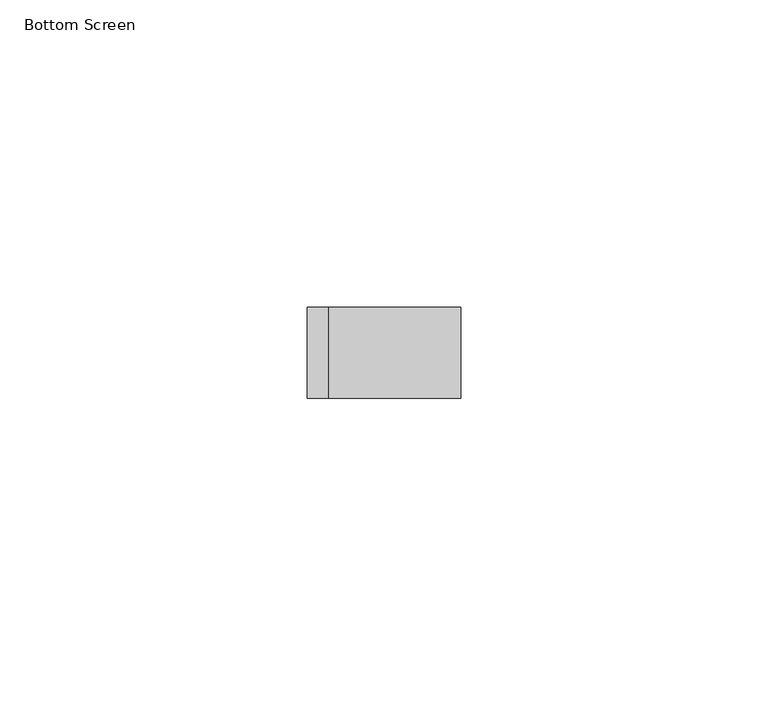
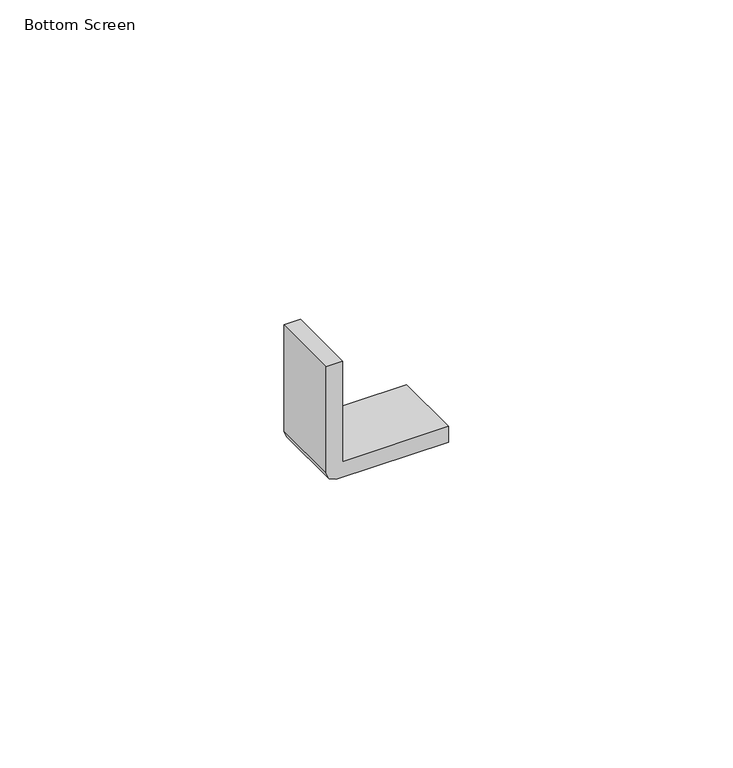
"""IFC4 building model written with IfcOpenShell, lengths in millimetres: furniture geometry, Bottom Screen."""

from ifc_helpers import new_model, si_unit, frame, origin, place, context, project, spatial, polyline, outline, extrude, source, transform, mapped, element, save


def bottom_screen_543f69ee(model_context):
    return source(origin(), model_context, "Body", "SweptSolid", [
        extrude(outline(polyline([(17.4637698, -5.2499998), (14.8387699, -4.5466332), (12.9171372, -2.6249999), (12.2137701, 0.0), (12.9171372, 2.6249999), (14.8387699, 4.5466332), (17.4637698, 5.2499998), (20.0887697, 4.5466332), (22.0104025, 2.6249999), (22.7137707, 0.0), (22.0104025, -2.6249999), (20.0887697, -4.5466332), (17.4637698, -5.2499998)])), frame((0.0, 0.0, 732.155), z_axis=(0.0, 0.0, 1.0), x_axis=(1.0, 0.0, 0.0)), (0.0, 0.0, 1.0), 0.234375),
        extrude(outline(polyline([(735.7403696, 3.3512699), (757.2893813, 3.3512699), (757.2893813, 0.0), (734.3924279, 0.0), (732.9751677, 0.5870564), (732.389375, 2.00127), (732.389375, 24.9012689), (735.7403696, 24.9012689), (735.7403696, 3.3512699)])), frame((0.0, -7.4000003, 0.0), z_axis=(0.0, 1.0, 0.0), x_axis=(0.0, 0.0, 1.0)), (0.0, 0.0, 1.0), 14.8000005),
    ])


if __name__ == "__main__":
    model = new_model("IFC4")
    model_context = context("Model", 3, world=origin())
    ifc_project = project(units=[si_unit("LENGTHUNIT", "METRE", prefix="MILLI")], contexts=[model_context])
    site = spatial("IfcSite", under=ifc_project)
    building = spatial("IfcBuilding", under=site)
    placement = place(None, origin())
    bottom_screen_shape = bottom_screen_543f69ee(model_context)
    element("IfcFurniture", 1, ObjectType="Bottom Screen", at=placement, inside=building, context=model_context, shape_type="MappedRepresentation", body=[
        mapped(bottom_screen_shape, transform((0.0, 0.0, 0.0), x_axis=(1.0, 0.0, 0.0), y_axis=(0.0, 1.0, 0.0), z_axis=(0.0, 0.0, 1.0))),
    ])
    save(model, "model.ifc")
